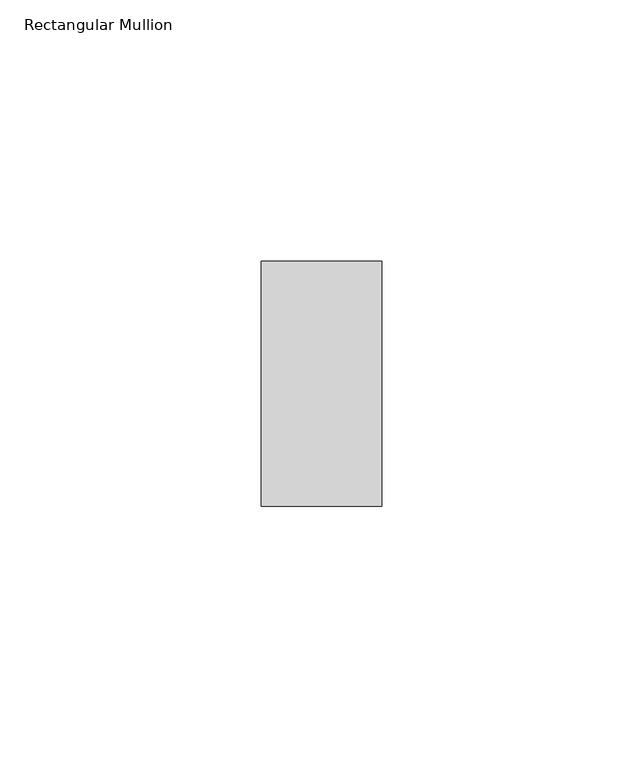
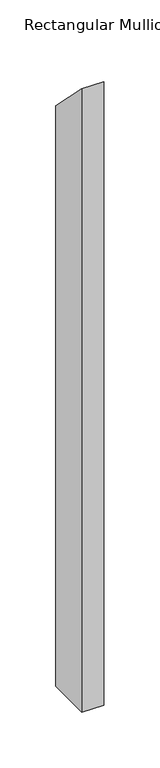
"""IFC4 building model written with IfcOpenShell, lengths in millimetres: member geometry, Rectangular Mullion."""

import ifcopenshell
import ifcopenshell.guid

model = None  # the IFC model being written
_history = None  # IfcOwnerHistory: only IFC2X3 demands one
_inside = {}  # id of a spatial element -> (the spatial element, [elements in it])
_under = {}  # id of a project, library or spatial element -> (it, [spatial elements below it])
_declared = {}  # id of a project -> (the project, [libraries it declares])
_typed = {}  # id of a type object -> (the type object, [elements of that type])
_made_of = {}  # id of a material, layer set ... -> (it, [elements and type objects made of it])


def new_model(schema):
    """Start an empty IFC model of exactly this schema.

    Asked for "IFC4X3", IfcOpenShell would pick the latest addendum, in which some entities
    have other attributes; the version numbers below select the first issue.
    IFC2X3 requires an IfcOwnerHistory on every rooted entity: one is made here for all.
    """
    global model, _history
    if schema == "IFC4X3":
        model = ifcopenshell.file(schema_version=(4, 3, 0, 0))
    else:
        model = ifcopenshell.file(schema=schema)
    _inside.clear()
    _under.clear()
    _declared.clear()
    _typed.clear()
    _made_of.clear()
    _history = None
    if model.schema == "IFC2X3":
        org = make("IfcOrganization", Name="unknown")
        user = make(
            "IfcPersonAndOrganization",
            ThePerson=make("IfcPerson", FamilyName="unknown"),
            TheOrganization=org,
        )
        app = make(
            "IfcApplication",
            ApplicationDeveloper=org,
            Version="unknown",
            ApplicationFullName="unknown",
            ApplicationIdentifier="unknown",
        )
        _history = make(
            "IfcOwnerHistory",
            OwningUser=user,
            OwningApplication=app,
            ChangeAction="ADDED",
            CreationDate=0,
        )
    return model


def make(cls, **values):
    """One entity of the class cls with the attributes given. An attribute that is None is left unset."""
    return model.create_entity(
        cls, **{name: value for name, value in values.items() if value is not None}
    )


def rooted(cls, **values):
    """An entity with a GlobalId (a new one), such as an element, a storey or a relation."""
    return make(cls, GlobalId=ifcopenshell.guid.new(), OwnerHistory=_history, **values)


def si_unit(unit_type, name, prefix=None):
    """IfcSIUnit, for example si_unit("LENGTHUNIT", "METRE", prefix="MILLI")."""
    return make("IfcSIUnit", UnitType=unit_type, Prefix=prefix, Name=name)


def assignment(units):
    """IfcUnitAssignment: the units of a project."""
    return None if units is None else make("IfcUnitAssignment", Units=units)


def point(xyz):
    """IfcCartesianPoint."""
    return None if xyz is None else make("IfcCartesianPoint", Coordinates=xyz)


def direction(xyz):
    """IfcDirection."""
    return None if xyz is None else make("IfcDirection", DirectionRatios=xyz)


def frame(location, z_axis=None, x_axis=None):
    """IfcAxis2Placement3D, a coordinate frame: its origin and axes. An axis left out is left unset."""
    return make(
        "IfcAxis2Placement3D",
        Location=point(location),
        Axis=direction(z_axis),
        RefDirection=direction(x_axis),
    )


def origin():
    """The frame at (0, 0, 0) with its axes left unset."""
    return frame((0.0, 0.0, 0.0))


def place(relative_to, where):
    """IfcLocalPlacement: puts the frame where relative to a parent placement (None: the world)."""
    return make(
        "IfcLocalPlacement", PlacementRelTo=relative_to, RelativePlacement=where
    )


def context(
    kind, dimensions, precision=None, world=None, true_north=None, identifier=None
):
    """IfcGeometricRepresentationContext, for example the 3D "Model" context."""
    return make(
        "IfcGeometricRepresentationContext",
        ContextIdentifier=identifier,
        ContextType=kind,
        CoordinateSpaceDimension=dimensions,
        Precision=precision,
        WorldCoordinateSystem=world,
        TrueNorth=true_north,
    )


def project(units=None, contexts=None):
    """IfcProject with its units and contexts."""
    return rooted(
        "IfcProject",
        Name="project",
        RepresentationContexts=contexts,
        UnitsInContext=assignment(units),
    )


def spatial(cls, under=None, at=None, **own):
    """A site, building, storey or space (cls), placed at a placement, below another one or the project."""
    s = rooted(cls, ObjectPlacement=at, **own)
    if under is not None:
        _under.setdefault(under.id(), (under, []))[1].append(s)
    return s


def polyline(points):
    """IfcPolyline through the points."""
    return make("IfcPolyline", Points=[point(p) for p in points])


def outline(outer, holes=None, kind="AREA"):
    """IfcArbitraryClosedProfileDef: a profile drawn as a closed curve; with holes, ...WithVoids."""
    if holes is None:
        return make("IfcArbitraryClosedProfileDef", ProfileType=kind, OuterCurve=outer)
    return make(
        "IfcArbitraryProfileDefWithVoids",
        ProfileType=kind,
        OuterCurve=outer,
        InnerCurves=holes,
    )


def extrude(swept, where, along, depth):
    """IfcExtrudedAreaSolid: the profile swept, set in the frame where, extruded along a direction by depth."""
    return make(
        "IfcExtrudedAreaSolid",
        SweptArea=swept,
        Position=where,
        ExtrudedDirection=direction(along),
        Depth=depth,
    )


def shape(context_of_items, identifier, shape_type, items):
    """IfcShapeRepresentation: the items that make up one representation, for example the "Body"."""
    return make(
        "IfcShapeRepresentation",
        ContextOfItems=context_of_items,
        RepresentationIdentifier=identifier,
        RepresentationType=shape_type,
        Items=items,
    )


def source(mapping_origin, context_of_items, identifier, shape_type, items):
    """IfcRepresentationMap: a shape defined once, which mapped items show again and again."""
    return make(
        "IfcRepresentationMap",
        MappingOrigin=mapping_origin,
        MappedRepresentation=shape(context_of_items, identifier, shape_type, items),
    )


def transform(
    local_origin,
    x_axis=None,
    y_axis=None,
    z_axis=None,
    scale=None,
    scale2=None,
    scale3=None,
    uniform=True,
):
    """IfcCartesianTransformationOperator3D, or its non-uniform kind. x_axis, y_axis, z_axis: its Axis1, 2, 3."""
    if uniform:
        return make(
            "IfcCartesianTransformationOperator3D",
            Axis1=direction(x_axis),
            Axis2=direction(y_axis),
            LocalOrigin=point(local_origin),
            Scale=scale,
            Axis3=direction(z_axis),
        )
    return make(
        "IfcCartesianTransformationOperator3DnonUniform",
        Axis1=direction(x_axis),
        Axis2=direction(y_axis),
        LocalOrigin=point(local_origin),
        Scale=scale,
        Axis3=direction(z_axis),
        Scale2=scale2,
        Scale3=scale3,
    )


def mapped(mapping_source, mapping_target):
    """IfcMappedItem: shows the shape of a source again, moved by a transform."""
    return make(
        "IfcMappedItem", MappingSource=mapping_source, MappingTarget=mapping_target
    )


def made_of(thing, what):
    """Note that an element or type object is made of a material, layer set ...; save() writes the relation."""
    if what is not None:
        _made_of.setdefault(what.id(), (what, []))[1].append(thing)
    return thing


def element(
    cls,
    number,
    at=None,
    inside=None,
    cuts=None,
    type_object=None,
    material=None,
    context=None,
    identifier="Body",
    shape_type=None,
    held_by="IfcProductDefinitionShape",
    body=None,
    shapes=None,
    **own,
):
    """One element of the class cls, such as IfcWall. Its Tag is "e" and its number.

    at: its placement. inside: the storey or other place that contains it. cuts: it is an
    opening in that element (IfcRelVoidsElement). A single representation is given by context,
    identifier, shape_type and body (its items); several are given by shapes. held_by: the class
    of the entity that holds the representations. save() writes the other relations.
    """
    e = rooted(cls, Tag="e%d" % number, ObjectPlacement=at, **own)
    if body is not None:
        shapes = [shape(context, identifier, shape_type, body)]
    if shapes is not None:
        e.Representation = make(held_by, Representations=shapes)
    if inside is not None:
        _inside.setdefault(inside.id(), (inside, []))[1].append(e)
    if cuts is not None:
        rooted(
            "IfcRelVoidsElement", RelatingBuildingElement=cuts, RelatedOpeningElement=e
        )
    if type_object is not None:
        _typed.setdefault(type_object.id(), (type_object, []))[1].append(e)
    return made_of(e, material)


def aggregate(whole, parts):
    """IfcRelAggregates: a whole, such as a stair, and the parts it consists of."""
    return rooted("IfcRelAggregates", RelatingObject=whole, RelatedObjects=parts)


def save(model, path):
    """Write the relations noted so far, then the file.

    IfcRelAggregates (storeys below a building ...), IfcRelContainedInSpatialStructure (elements
    in a storey), IfcRelDefinesByType, IfcRelAssociatesMaterial and IfcRelDeclares: one each for
    every whole, place, type object, material and project.
    """
    for whole, parts in _under.values():
        aggregate(whole, parts)
    for where, things in _inside.values():
        rooted(
            "IfcRelContainedInSpatialStructure",
            RelatedElements=things,
            RelatingStructure=where,
        )
    for kind, things in _typed.values():
        rooted("IfcRelDefinesByType", RelatedObjects=things, RelatingType=kind)
    for what, things in _made_of.values():
        rooted("IfcRelAssociatesMaterial", RelatedObjects=things, RelatingMaterial=what)
    for by, libraries in _declared.values():
        rooted("IfcRelDeclares", RelatingContext=by, RelatedDefinitions=libraries)
    model.write(path)


def rectangular_mullion_69090e73(model_context):
    return source(origin(), model_context, "Body", "SweptSolid", [
        extrude(outline(polyline([(-23.4, 23.4), (23.4, -23.4), (23.4, -660.4), (-23.4, -660.4), (-23.4, 23.4)])), frame((-23.0, 0.0, 0.0), z_axis=(1.0, 0.0, 0.0), x_axis=(0.0, 1.0, 0.0)), (0.0, 0.0, 1.0), 23.0),
    ])


if __name__ == "__main__":
    model = new_model("IFC4")
    model_context = context("Model", 3, world=origin())
    ifc_project = project(units=[si_unit("LENGTHUNIT", "METRE", prefix="MILLI")], contexts=[model_context])
    site = spatial("IfcSite", under=ifc_project)
    building = spatial("IfcBuilding", under=site)
    placement = place(None, origin())
    rectangular_mullion_shape = rectangular_mullion_69090e73(model_context)
    element("IfcMember", 1, ObjectType="Rectangular Mullion", at=placement, inside=building, context=model_context, shape_type="MappedRepresentation", body=[
        mapped(rectangular_mullion_shape, transform((0.0, 0.0, 0.0), x_axis=(1.0, 0.0, 0.0), y_axis=(0.0, 1.0, 0.0), z_axis=(0.0, 0.0, 1.0))),
    ])
    save(model, "model.ifc")
